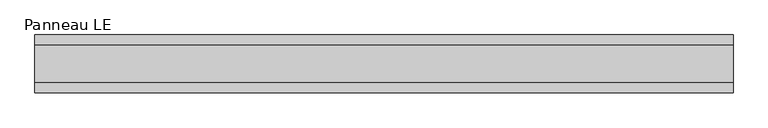
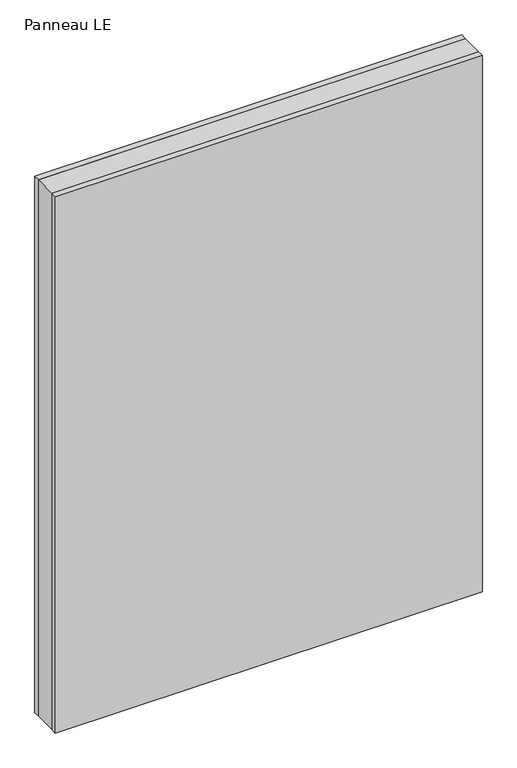
"""IFC4 building model written with IfcOpenShell, lengths in millimetres: plate geometry, Panneau LE."""

import ifcopenshell
import ifcopenshell.guid

model = None  # the IFC model being written
_history = None  # IfcOwnerHistory: only IFC2X3 demands one
_inside = {}  # id of a spatial element -> (the spatial element, [elements in it])
_under = {}  # id of a project, library or spatial element -> (it, [spatial elements below it])
_declared = {}  # id of a project -> (the project, [libraries it declares])
_typed = {}  # id of a type object -> (the type object, [elements of that type])
_made_of = {}  # id of a material, layer set ... -> (it, [elements and type objects made of it])


def new_model(schema):
    """Start an empty IFC model of exactly this schema.

    Asked for "IFC4X3", IfcOpenShell would pick the latest addendum, in which some entities
    have other attributes; the version numbers below select the first issue.
    IFC2X3 requires an IfcOwnerHistory on every rooted entity: one is made here for all.
    """
    global model, _history
    if schema == "IFC4X3":
        model = ifcopenshell.file(schema_version=(4, 3, 0, 0))
    else:
        model = ifcopenshell.file(schema=schema)
    _inside.clear()
    _under.clear()
    _declared.clear()
    _typed.clear()
    _made_of.clear()
    _history = None
    if model.schema == "IFC2X3":
        org = make("IfcOrganization", Name="unknown")
        user = make(
            "IfcPersonAndOrganization",
            ThePerson=make("IfcPerson", FamilyName="unknown"),
            TheOrganization=org,
        )
        app = make(
            "IfcApplication",
            ApplicationDeveloper=org,
            Version="unknown",
            ApplicationFullName="unknown",
            ApplicationIdentifier="unknown",
        )
        _history = make(
            "IfcOwnerHistory",
            OwningUser=user,
            OwningApplication=app,
            ChangeAction="ADDED",
            CreationDate=0,
        )
    return model


def make(cls, **values):
    """One entity of the class cls with the attributes given. An attribute that is None is left unset."""
    return model.create_entity(
        cls, **{name: value for name, value in values.items() if value is not None}
    )


def rooted(cls, **values):
    """An entity with a GlobalId (a new one), such as an element, a storey or a relation."""
    return make(cls, GlobalId=ifcopenshell.guid.new(), OwnerHistory=_history, **values)


def si_unit(unit_type, name, prefix=None):
    """IfcSIUnit, for example si_unit("LENGTHUNIT", "METRE", prefix="MILLI")."""
    return make("IfcSIUnit", UnitType=unit_type, Prefix=prefix, Name=name)


def assignment(units):
    """IfcUnitAssignment: the units of a project."""
    return None if units is None else make("IfcUnitAssignment", Units=units)


def point(xyz):
    """IfcCartesianPoint."""
    return None if xyz is None else make("IfcCartesianPoint", Coordinates=xyz)


def direction(xyz):
    """IfcDirection."""
    return None if xyz is None else make("IfcDirection", DirectionRatios=xyz)


def frame(location, z_axis=None, x_axis=None):
    """IfcAxis2Placement3D, a coordinate frame: its origin and axes. An axis left out is left unset."""
    return make(
        "IfcAxis2Placement3D",
        Location=point(location),
        Axis=direction(z_axis),
        RefDirection=direction(x_axis),
    )


def origin():
    """The frame at (0, 0, 0) with its axes left unset."""
    return frame((0.0, 0.0, 0.0))


def origin_with_axes():
    """The frame at (0, 0, 0) with the z axis (0, 0, 1) and the x axis (1, 0, 0) written out."""
    return frame((0.0, 0.0, 0.0), z_axis=(0.0, 0.0, 1.0), x_axis=(1.0, 0.0, 0.0))


def place(relative_to, where):
    """IfcLocalPlacement: puts the frame where relative to a parent placement (None: the world)."""
    return make(
        "IfcLocalPlacement", PlacementRelTo=relative_to, RelativePlacement=where
    )


def context(
    kind, dimensions, precision=None, world=None, true_north=None, identifier=None
):
    """IfcGeometricRepresentationContext, for example the 3D "Model" context."""
    return make(
        "IfcGeometricRepresentationContext",
        ContextIdentifier=identifier,
        ContextType=kind,
        CoordinateSpaceDimension=dimensions,
        Precision=precision,
        WorldCoordinateSystem=world,
        TrueNorth=true_north,
    )


def project(units=None, contexts=None):
    """IfcProject with its units and contexts."""
    return rooted(
        "IfcProject",
        Name="project",
        RepresentationContexts=contexts,
        UnitsInContext=assignment(units),
    )


def spatial(cls, under=None, at=None, **own):
    """A site, building, storey or space (cls), placed at a placement, below another one or the project."""
    s = rooted(cls, ObjectPlacement=at, **own)
    if under is not None:
        _under.setdefault(under.id(), (under, []))[1].append(s)
    return s


def polyline(points):
    """IfcPolyline through the points."""
    return make("IfcPolyline", Points=[point(p) for p in points])


def outline(outer, holes=None, kind="AREA"):
    """IfcArbitraryClosedProfileDef: a profile drawn as a closed curve; with holes, ...WithVoids."""
    if holes is None:
        return make("IfcArbitraryClosedProfileDef", ProfileType=kind, OuterCurve=outer)
    return make(
        "IfcArbitraryProfileDefWithVoids",
        ProfileType=kind,
        OuterCurve=outer,
        InnerCurves=holes,
    )


def extrude(swept, where, along, depth):
    """IfcExtrudedAreaSolid: the profile swept, set in the frame where, extruded along a direction by depth."""
    return make(
        "IfcExtrudedAreaSolid",
        SweptArea=swept,
        Position=where,
        ExtrudedDirection=direction(along),
        Depth=depth,
    )


def shape(context_of_items, identifier, shape_type, items):
    """IfcShapeRepresentation: the items that make up one representation, for example the "Body"."""
    return make(
        "IfcShapeRepresentation",
        ContextOfItems=context_of_items,
        RepresentationIdentifier=identifier,
        RepresentationType=shape_type,
        Items=items,
    )


def source(mapping_origin, context_of_items, identifier, shape_type, items):
    """IfcRepresentationMap: a shape defined once, which mapped items show again and again."""
    return make(
        "IfcRepresentationMap",
        MappingOrigin=mapping_origin,
        MappedRepresentation=shape(context_of_items, identifier, shape_type, items),
    )


def transform(
    local_origin,
    x_axis=None,
    y_axis=None,
    z_axis=None,
    scale=None,
    scale2=None,
    scale3=None,
    uniform=True,
):
    """IfcCartesianTransformationOperator3D, or its non-uniform kind. x_axis, y_axis, z_axis: its Axis1, 2, 3."""
    if uniform:
        return make(
            "IfcCartesianTransformationOperator3D",
            Axis1=direction(x_axis),
            Axis2=direction(y_axis),
            LocalOrigin=point(local_origin),
            Scale=scale,
            Axis3=direction(z_axis),
        )
    return make(
        "IfcCartesianTransformationOperator3DnonUniform",
        Axis1=direction(x_axis),
        Axis2=direction(y_axis),
        LocalOrigin=point(local_origin),
        Scale=scale,
        Axis3=direction(z_axis),
        Scale2=scale2,
        Scale3=scale3,
    )


def mapped(mapping_source, mapping_target):
    """IfcMappedItem: shows the shape of a source again, moved by a transform."""
    return make(
        "IfcMappedItem", MappingSource=mapping_source, MappingTarget=mapping_target
    )


def made_of(thing, what):
    """Note that an element or type object is made of a material, layer set ...; save() writes the relation."""
    if what is not None:
        _made_of.setdefault(what.id(), (what, []))[1].append(thing)
    return thing


def element(
    cls,
    number,
    at=None,
    inside=None,
    cuts=None,
    type_object=None,
    material=None,
    context=None,
    identifier="Body",
    shape_type=None,
    held_by="IfcProductDefinitionShape",
    body=None,
    shapes=None,
    **own,
):
    """One element of the class cls, such as IfcWall. Its Tag is "e" and its number.

    at: its placement. inside: the storey or other place that contains it. cuts: it is an
    opening in that element (IfcRelVoidsElement). A single representation is given by context,
    identifier, shape_type and body (its items); several are given by shapes. held_by: the class
    of the entity that holds the representations. save() writes the other relations.
    """
    e = rooted(cls, Tag="e%d" % number, ObjectPlacement=at, **own)
    if body is not None:
        shapes = [shape(context, identifier, shape_type, body)]
    if shapes is not None:
        e.Representation = make(held_by, Representations=shapes)
    if inside is not None:
        _inside.setdefault(inside.id(), (inside, []))[1].append(e)
    if cuts is not None:
        rooted(
            "IfcRelVoidsElement", RelatingBuildingElement=cuts, RelatedOpeningElement=e
        )
    if type_object is not None:
        _typed.setdefault(type_object.id(), (type_object, []))[1].append(e)
    return made_of(e, material)


def aggregate(whole, parts):
    """IfcRelAggregates: a whole, such as a stair, and the parts it consists of."""
    return rooted("IfcRelAggregates", RelatingObject=whole, RelatedObjects=parts)


def save(model, path):
    """Write the relations noted so far, then the file.

    IfcRelAggregates (storeys below a building ...), IfcRelContainedInSpatialStructure (elements
    in a storey), IfcRelDefinesByType, IfcRelAssociatesMaterial and IfcRelDeclares: one each for
    every whole, place, type object, material and project.
    """
    for whole, parts in _under.values():
        aggregate(whole, parts)
    for where, things in _inside.values():
        rooted(
            "IfcRelContainedInSpatialStructure",
            RelatedElements=things,
            RelatingStructure=where,
        )
    for kind, things in _typed.values():
        rooted("IfcRelDefinesByType", RelatedObjects=things, RelatingType=kind)
    for what, things in _made_of.values():
        rooted("IfcRelAssociatesMaterial", RelatedObjects=things, RelatingMaterial=what)
    for by, libraries in _declared.values():
        rooted("IfcRelDeclares", RelatingContext=by, RelatedDefinitions=libraries)
    model.write(path)


def panneau_le_a77f3e1e(model_context):
    return source(origin(), model_context, "Body", "SweptSolid", [
        extrude(outline(polyline([(544.8749999, 29.0), (544.8749999, -29.0), (-544.8749999, -29.0), (-544.8749999, 29.0), (544.8749999, 29.0)])), origin_with_axes(), (0.0, 0.0, 1.0), 1446.5),
        extrude(outline(polyline([(544.8749999, 45.0), (544.8749999, 29.0), (-544.8749999, 29.0), (-544.8749999, 45.0), (544.8749999, 45.0)])), origin_with_axes(), (0.0, 0.0, 1.0), 1446.5),
        extrude(outline(polyline([(-544.8749999, -45.0), (-544.8749999, -29.0), (544.8749999, -29.0), (544.8749999, -45.0), (-544.8749999, -45.0)])), origin_with_axes(), (0.0, 0.0, 1.0), 1446.5),
    ])


if __name__ == "__main__":
    model = new_model("IFC4")
    model_context = context("Model", 3, world=origin())
    ifc_project = project(units=[si_unit("LENGTHUNIT", "METRE", prefix="MILLI")], contexts=[model_context])
    site = spatial("IfcSite", under=ifc_project)
    building = spatial("IfcBuilding", under=site)
    placement = place(None, origin())
    panneau_le_shape = panneau_le_a77f3e1e(model_context)
    element("IfcPlate", 1, ObjectType="Panneau LE", at=placement, inside=building, context=model_context, shape_type="MappedRepresentation", body=[
        mapped(panneau_le_shape, transform((0.0, 0.0, 0.0), x_axis=(1.0, 0.0, 0.0), y_axis=(0.0, 1.0, 0.0), z_axis=(0.0, 0.0, 1.0))),
    ])
    save(model, "model.ifc")
